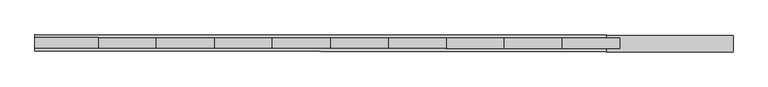
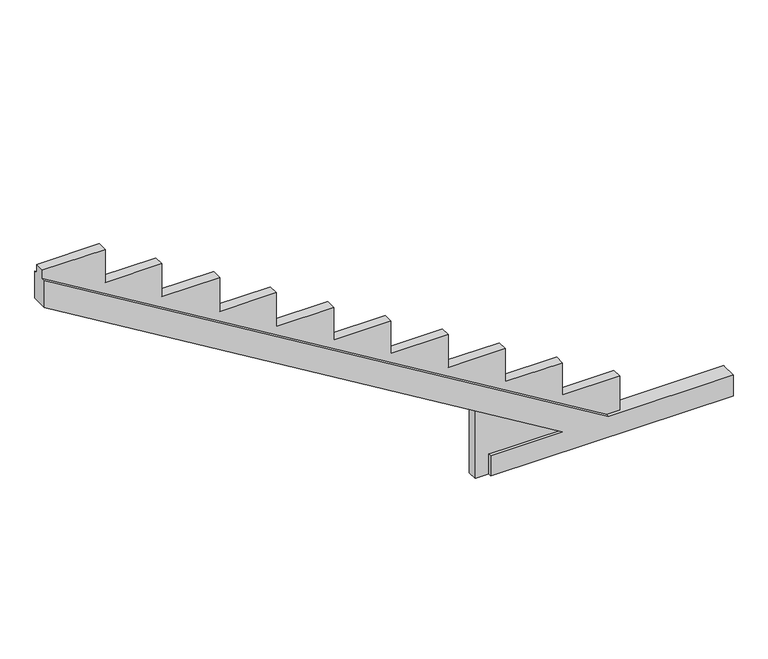
"""IFC4 building model written with IfcOpenShell, lengths in millimetres: beam geometry."""

from ifc_helpers import new_model, si_unit, origin, place, context, project, spatial, faceted_brep, source, transform, mapped, element, save


def beam_4a3d2937(model_context):
    return source(origin(), model_context, "Body", "Brep", [
        faceted_brep([(-116834.4385145, 97210.0394917, -282.5034315), (-116834.4385145, 97210.0394917, -36.5699712), (-115996.1709564, 97209.3263872, -36.5699712), (-122024.5727007, 97214.4546789, 3608.0104303), (-122024.5727007, 97214.4546789, 3940.4456484), (-115462.8395938, 97208.8726884, -26.5699712), (-114013.4005208, 97207.6396673, -26.5699712), (-114013.4005208, 97207.6396673, -282.5034315), (-116834.6000177, 97020.1894388, -282.5034315), (-114013.5620241, 97017.7896143, -282.5034315), (-114013.5620241, 97017.7896143, -26.5699712), (-115463.001097, 97019.0226354, -26.5699712), (-122024.7342039, 97024.6046259, 3940.4456484), (-122024.7342039, 97024.6046259, 3608.0104303), (-115996.3324596, 97019.4763342, -36.5699712), (-116834.6000177, 97020.1894388, -36.5699712), (-116834.567782, 97058.0831204, -282.5034315), (-116990.4139663, 97058.2156969, -282.5034315), (-116990.3143213, 97175.3502947, -282.5034315), (-116834.4681369, 97175.2177182, -282.5034315), (-114013.4301433, 97172.8178938, -26.5699712), (-114013.5297884, 97055.683296, -26.5699712), (-115462.8692163, 97174.0509148, -26.5699712), (-115312.367853, 97173.9228851, -26.5699712), (-115312.467498, 97056.7882873, -26.5699712), (-115462.9688613, 97056.916317, -26.5699712), (-122024.6023231, 97179.6329053, 3940.4456484), (-122024.7019682, 97062.4983075, 3940.4456484), (-122024.7019682, 97062.4983075, 4042.4153724), (-122024.6023231, 97179.6329053, 4042.4153724), (-115996.2005789, 97174.5046137, -36.5699712), (-116990.3143213, 97175.3502947, 564.4396522), (-116990.4139663, 97058.2156969, 564.4396522), (-115996.3002239, 97057.3700159, -36.5699712), (-116834.4681369, 97175.2177182, -36.5699712), (-116834.567782, 97058.0831204, -36.5699712), (-121296.5458066, 97179.0135561, 4042.4153724), (-121296.5458066, 97179.0135561, 3637.4765953), (-120639.7753772, 97178.4548491, 3637.4765953), (-120639.7753772, 97178.4548491, 3233.7280705), (-119964.6808925, 97177.880554, 3233.7280705), (-119964.6808925, 97177.880554, 2813.2783254), (-119304.6119917, 97177.319041, 2813.2783254), (-119304.6119917, 97177.319041, 2397.8804107), (-118636.166582, 97176.7504022, 2397.8804107), (-118636.166582, 97176.7504022, 1997.4306656), (-117971.0717758, 97176.1846138, 1997.4306656), (-117971.0717758, 97176.1846138, 1598.7080561), (-117306.0030357, 97175.6188475, 1598.7080561), (-117306.0030357, 97175.6188475, 1194.9595313), (-116642.5574653, 97175.054462, 1194.9595313), (-116642.5574653, 97175.054462, 787.8863115), (-115977.4626591, 97174.4886735, 787.8863115), (-115977.4626591, 97174.4886735, 390.9167528), (-115312.367853, 97173.9228851, 390.9167528), (-115312.467498, 97056.7882873, 390.9167528), (-115977.5623042, 97057.3540757, 390.9167528), (-115977.5623042, 97057.3540757, 787.8863115), (-116642.6571103, 97057.9198642, 787.8863115), (-116642.6571103, 97057.9198642, 1194.9595313), (-117306.1026808, 97058.4842497, 1194.9595313), (-117306.1026808, 97058.4842497, 1598.7080561), (-117971.1714209, 97059.050016, 1598.7080561), (-117971.1714209, 97059.050016, 1997.4306656), (-118636.266227, 97059.6158044, 1997.4306656), (-118636.266227, 97059.6158044, 2397.8804107), (-119304.7116367, 97060.1844432, 2397.8804107), (-119304.7116367, 97060.1844432, 2813.2783254), (-119964.7805375, 97060.7459562, 2813.2783254), (-119964.7805375, 97060.7459562, 3233.7280705), (-120639.8750222, 97061.3202513, 3233.7280705), (-120639.8750222, 97061.3202513, 3637.4765953), (-121296.6454516, 97061.8789583, 3637.4765953), (-121296.6454516, 97061.8789583, 4042.4153724)], [[[0, 1, 2, 3, 4, 5, 6, 7]], [[8, 9, 10, 11, 12, 13, 14, 15]], [[0, 7, 9, 8, 16, 17, 18, 19]], [[9, 7, 6, 20, 21, 10]], [[6, 5, 22, 23, 24, 25, 11, 10, 21, 20]], [[5, 4, 26, 22]], [[12, 11, 25, 27]], [[4, 3, 13, 12, 27, 28, 29, 26]], [[3, 2, 30, 31, 32, 33, 14, 13]], [[2, 1, 34, 30]], [[15, 14, 33, 35]], [[1, 0, 19, 34]], [[8, 15, 35, 16]], [[19, 18, 31, 30, 34]], [[29, 36, 37, 38, 39, 40, 41, 42, 43, 44, 45, 46, 47, 48, 49, 50, 51, 52, 53, 54, 23, 22, 26]], [[17, 16, 35, 33, 32]], [[24, 55, 56, 57, 58, 59, 60, 61, 62, 63, 64, 65, 66, 67, 68, 69, 70, 71, 72, 73, 28, 27, 25]], [[18, 17, 32, 31]], [[23, 54, 55, 24]], [[54, 53, 56, 55]], [[53, 52, 57, 56]], [[52, 51, 58, 57]], [[51, 50, 59, 58]], [[50, 49, 60, 59]], [[49, 48, 61, 60]], [[48, 47, 62, 61]], [[47, 46, 63, 62]], [[46, 45, 64, 63]], [[45, 44, 65, 64]], [[44, 43, 66, 65]], [[43, 42, 67, 66]], [[42, 41, 68, 67]], [[41, 40, 69, 68]], [[40, 39, 70, 69]], [[39, 38, 71, 70]], [[38, 37, 72, 71]], [[37, 36, 73, 72]], [[36, 29, 28, 73]]]),
    ])


if __name__ == "__main__":
    model = new_model("IFC4")
    model_context = context("Model", 3, world=origin())
    ifc_project = project(units=[si_unit("LENGTHUNIT", "METRE", prefix="MILLI")], contexts=[model_context])
    site = spatial("IfcSite", under=ifc_project)
    building = spatial("IfcBuilding", under=site)
    placement = place(None, origin())
    beam_shape = beam_4a3d2937(model_context)
    element("IfcBeam", 1, at=placement, inside=building, context=model_context, shape_type="MappedRepresentation", body=[
        mapped(beam_shape, transform((0.0, 0.0, 0.0), x_axis=(1.0, 0.0, 0.0), y_axis=(0.0, 1.0, 0.0), z_axis=(0.0, 0.0, 1.0))),
    ])
    save(model, "model.ifc")
